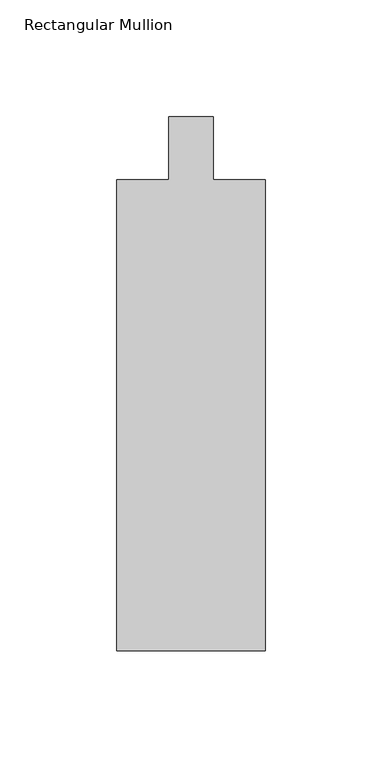
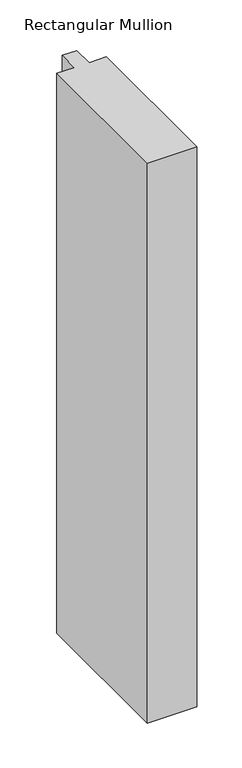
"""IFC4 building model written with IfcOpenShell, lengths in millimetres: member geometry, Rectangular Mullion."""

import ifcopenshell
import ifcopenshell.guid

model = None  # the IFC model being written
_history = None  # IfcOwnerHistory: only IFC2X3 demands one
_inside = {}  # id of a spatial element -> (the spatial element, [elements in it])
_under = {}  # id of a project, library or spatial element -> (it, [spatial elements below it])
_declared = {}  # id of a project -> (the project, [libraries it declares])
_typed = {}  # id of a type object -> (the type object, [elements of that type])
_made_of = {}  # id of a material, layer set ... -> (it, [elements and type objects made of it])


def new_model(schema):
    """Start an empty IFC model of exactly this schema.

    Asked for "IFC4X3", IfcOpenShell would pick the latest addendum, in which some entities
    have other attributes; the version numbers below select the first issue.
    IFC2X3 requires an IfcOwnerHistory on every rooted entity: one is made here for all.
    """
    global model, _history
    if schema == "IFC4X3":
        model = ifcopenshell.file(schema_version=(4, 3, 0, 0))
    else:
        model = ifcopenshell.file(schema=schema)
    _inside.clear()
    _under.clear()
    _declared.clear()
    _typed.clear()
    _made_of.clear()
    _history = None
    if model.schema == "IFC2X3":
        org = make("IfcOrganization", Name="unknown")
        user = make(
            "IfcPersonAndOrganization",
            ThePerson=make("IfcPerson", FamilyName="unknown"),
            TheOrganization=org,
        )
        app = make(
            "IfcApplication",
            ApplicationDeveloper=org,
            Version="unknown",
            ApplicationFullName="unknown",
            ApplicationIdentifier="unknown",
        )
        _history = make(
            "IfcOwnerHistory",
            OwningUser=user,
            OwningApplication=app,
            ChangeAction="ADDED",
            CreationDate=0,
        )
    return model


def make(cls, **values):
    """One entity of the class cls with the attributes given. An attribute that is None is left unset."""
    return model.create_entity(
        cls, **{name: value for name, value in values.items() if value is not None}
    )


def rooted(cls, **values):
    """An entity with a GlobalId (a new one), such as an element, a storey or a relation."""
    return make(cls, GlobalId=ifcopenshell.guid.new(), OwnerHistory=_history, **values)


def si_unit(unit_type, name, prefix=None):
    """IfcSIUnit, for example si_unit("LENGTHUNIT", "METRE", prefix="MILLI")."""
    return make("IfcSIUnit", UnitType=unit_type, Prefix=prefix, Name=name)


def assignment(units):
    """IfcUnitAssignment: the units of a project."""
    return None if units is None else make("IfcUnitAssignment", Units=units)


def point(xyz):
    """IfcCartesianPoint."""
    return None if xyz is None else make("IfcCartesianPoint", Coordinates=xyz)


def direction(xyz):
    """IfcDirection."""
    return None if xyz is None else make("IfcDirection", DirectionRatios=xyz)


def frame(location, z_axis=None, x_axis=None):
    """IfcAxis2Placement3D, a coordinate frame: its origin and axes. An axis left out is left unset."""
    return make(
        "IfcAxis2Placement3D",
        Location=point(location),
        Axis=direction(z_axis),
        RefDirection=direction(x_axis),
    )


def origin():
    """The frame at (0, 0, 0) with its axes left unset."""
    return frame((0.0, 0.0, 0.0))


def place(relative_to, where):
    """IfcLocalPlacement: puts the frame where relative to a parent placement (None: the world)."""
    return make(
        "IfcLocalPlacement", PlacementRelTo=relative_to, RelativePlacement=where
    )


def context(
    kind, dimensions, precision=None, world=None, true_north=None, identifier=None
):
    """IfcGeometricRepresentationContext, for example the 3D "Model" context."""
    return make(
        "IfcGeometricRepresentationContext",
        ContextIdentifier=identifier,
        ContextType=kind,
        CoordinateSpaceDimension=dimensions,
        Precision=precision,
        WorldCoordinateSystem=world,
        TrueNorth=true_north,
    )


def project(units=None, contexts=None):
    """IfcProject with its units and contexts."""
    return rooted(
        "IfcProject",
        Name="project",
        RepresentationContexts=contexts,
        UnitsInContext=assignment(units),
    )


def spatial(cls, under=None, at=None, **own):
    """A site, building, storey or space (cls), placed at a placement, below another one or the project."""
    s = rooted(cls, ObjectPlacement=at, **own)
    if under is not None:
        _under.setdefault(under.id(), (under, []))[1].append(s)
    return s


def polyline(points):
    """IfcPolyline through the points."""
    return make("IfcPolyline", Points=[point(p) for p in points])


def outline(outer, holes=None, kind="AREA"):
    """IfcArbitraryClosedProfileDef: a profile drawn as a closed curve; with holes, ...WithVoids."""
    if holes is None:
        return make("IfcArbitraryClosedProfileDef", ProfileType=kind, OuterCurve=outer)
    return make(
        "IfcArbitraryProfileDefWithVoids",
        ProfileType=kind,
        OuterCurve=outer,
        InnerCurves=holes,
    )


def extrude(swept, where, along, depth):
    """IfcExtrudedAreaSolid: the profile swept, set in the frame where, extruded along a direction by depth."""
    return make(
        "IfcExtrudedAreaSolid",
        SweptArea=swept,
        Position=where,
        ExtrudedDirection=direction(along),
        Depth=depth,
    )


def shape(context_of_items, identifier, shape_type, items):
    """IfcShapeRepresentation: the items that make up one representation, for example the "Body"."""
    return make(
        "IfcShapeRepresentation",
        ContextOfItems=context_of_items,
        RepresentationIdentifier=identifier,
        RepresentationType=shape_type,
        Items=items,
    )


def source(mapping_origin, context_of_items, identifier, shape_type, items):
    """IfcRepresentationMap: a shape defined once, which mapped items show again and again."""
    return make(
        "IfcRepresentationMap",
        MappingOrigin=mapping_origin,
        MappedRepresentation=shape(context_of_items, identifier, shape_type, items),
    )


def transform(
    local_origin,
    x_axis=None,
    y_axis=None,
    z_axis=None,
    scale=None,
    scale2=None,
    scale3=None,
    uniform=True,
):
    """IfcCartesianTransformationOperator3D, or its non-uniform kind. x_axis, y_axis, z_axis: its Axis1, 2, 3."""
    if uniform:
        return make(
            "IfcCartesianTransformationOperator3D",
            Axis1=direction(x_axis),
            Axis2=direction(y_axis),
            LocalOrigin=point(local_origin),
            Scale=scale,
            Axis3=direction(z_axis),
        )
    return make(
        "IfcCartesianTransformationOperator3DnonUniform",
        Axis1=direction(x_axis),
        Axis2=direction(y_axis),
        LocalOrigin=point(local_origin),
        Scale=scale,
        Axis3=direction(z_axis),
        Scale2=scale2,
        Scale3=scale3,
    )


def mapped(mapping_source, mapping_target):
    """IfcMappedItem: shows the shape of a source again, moved by a transform."""
    return make(
        "IfcMappedItem", MappingSource=mapping_source, MappingTarget=mapping_target
    )


def made_of(thing, what):
    """Note that an element or type object is made of a material, layer set ...; save() writes the relation."""
    if what is not None:
        _made_of.setdefault(what.id(), (what, []))[1].append(thing)
    return thing


def element(
    cls,
    number,
    at=None,
    inside=None,
    cuts=None,
    type_object=None,
    material=None,
    context=None,
    identifier="Body",
    shape_type=None,
    held_by="IfcProductDefinitionShape",
    body=None,
    shapes=None,
    **own,
):
    """One element of the class cls, such as IfcWall. Its Tag is "e" and its number.

    at: its placement. inside: the storey or other place that contains it. cuts: it is an
    opening in that element (IfcRelVoidsElement). A single representation is given by context,
    identifier, shape_type and body (its items); several are given by shapes. held_by: the class
    of the entity that holds the representations. save() writes the other relations.
    """
    e = rooted(cls, Tag="e%d" % number, ObjectPlacement=at, **own)
    if body is not None:
        shapes = [shape(context, identifier, shape_type, body)]
    if shapes is not None:
        e.Representation = make(held_by, Representations=shapes)
    if inside is not None:
        _inside.setdefault(inside.id(), (inside, []))[1].append(e)
    if cuts is not None:
        rooted(
            "IfcRelVoidsElement", RelatingBuildingElement=cuts, RelatedOpeningElement=e
        )
    if type_object is not None:
        _typed.setdefault(type_object.id(), (type_object, []))[1].append(e)
    return made_of(e, material)


def aggregate(whole, parts):
    """IfcRelAggregates: a whole, such as a stair, and the parts it consists of."""
    return rooted("IfcRelAggregates", RelatingObject=whole, RelatedObjects=parts)


def save(model, path):
    """Write the relations noted so far, then the file.

    IfcRelAggregates (storeys below a building ...), IfcRelContainedInSpatialStructure (elements
    in a storey), IfcRelDefinesByType, IfcRelAssociatesMaterial and IfcRelDeclares: one each for
    every whole, place, type object, material and project.
    """
    for whole, parts in _under.values():
        aggregate(whole, parts)
    for where, things in _inside.values():
        rooted(
            "IfcRelContainedInSpatialStructure",
            RelatedElements=things,
            RelatingStructure=where,
        )
    for kind, things in _typed.values():
        rooted("IfcRelDefinesByType", RelatedObjects=things, RelatingType=kind)
    for what, things in _made_of.values():
        rooted("IfcRelAssociatesMaterial", RelatedObjects=things, RelatingMaterial=what)
    for by, libraries in _declared.values():
        rooted("IfcRelDeclares", RelatingContext=by, RelatedDefinitions=libraries)
    model.write(path)


def rectangular_mullion_655f1c1d(model_context):
    return source(origin(), model_context, "Body", "SweptSolid", [
        extrude(outline(polyline([(-63.5, -228.6), (-63.5, -26.9875), (-41.275, -26.9875), (-41.275, 0.0), (-22.225, 0.0), (-22.225, -26.9875), (0.0, -26.9875), (0.0, -228.6), (-63.5, -228.6)])), frame((0.0, 0.0, -762.0), z_axis=(0.0, 0.0, 1.0), x_axis=(1.0, 0.0, 0.0)), (0.0, 0.0, 1.0), 762.0),
    ])


if __name__ == "__main__":
    model = new_model("IFC4")
    model_context = context("Model", 3, world=origin())
    ifc_project = project(units=[si_unit("LENGTHUNIT", "METRE", prefix="MILLI")], contexts=[model_context])
    site = spatial("IfcSite", under=ifc_project)
    building = spatial("IfcBuilding", under=site)
    placement = place(None, origin())
    rectangular_mullion_shape = rectangular_mullion_655f1c1d(model_context)
    element("IfcMember", 1, ObjectType="Rectangular Mullion", at=placement, inside=building, context=model_context, shape_type="MappedRepresentation", body=[
        mapped(rectangular_mullion_shape, transform((0.0, 0.0, 0.0), x_axis=(1.0, 0.0, 0.0), y_axis=(0.0, 1.0, 0.0), z_axis=(0.0, 0.0, 1.0))),
    ])
    save(model, "model.ifc")
